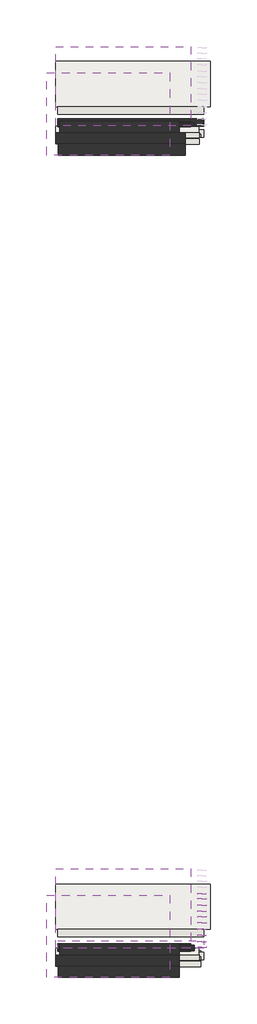
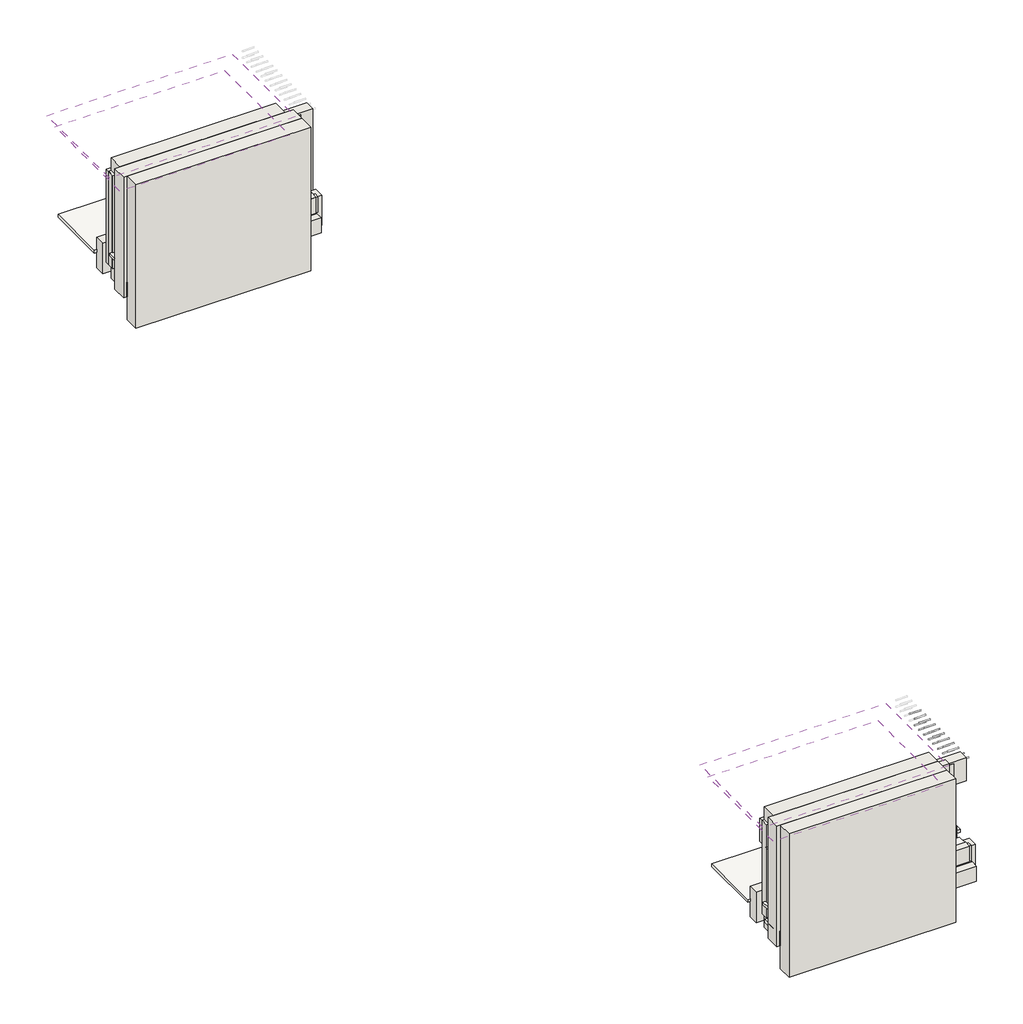
# One storey, part 1 of 2: 24 walls, 19 pipe segments, 9 coverings.
"""IFC4 building model written with IfcOpenShell, lengths in millimetres."""

from ifc_helpers import new_model, si_unit, point, frame, frame_2d, origin, place, context, project, spatial, polyline, circle_curve, trimmed, segment, composite_curve, outline, extrude, element, save

model = new_model("IFC4")

# Units and contexts
model_context = context("Model", 3, world=origin())
ifc_project = project(units=[si_unit("LENGTHUNIT", "METRE", prefix="MILLI")], contexts=[model_context])

# Site, building, storey
site = spatial("IfcSite", under=ifc_project)
building = spatial("IfcBuilding", under=site)
storey = spatial("IfcBuildingStorey", under=building, Elevation=0.0)

# Coverings
placement = place(None, origin())
element("IfcCovering", 1, at=placement, inside=storey, context=model_context, shape_type="SweptSolid", body=[
    extrude(outline(polyline([(9093.9819706, 3720.404865), (9093.9819706, 1525.2946397), (5793.9819706, 1525.2946397), (5793.9819706, 3720.404865), (9093.9819706, 3720.404865)])), frame((0.0, 0.0, 2740.0), z_axis=(0.0, 0.0, 1.0), x_axis=(1.0, 0.0, 0.0)), (0.0, 0.0, 1.0), 52.0),
])
element("IfcCovering", 2, at=placement, inside=storey, context=model_context, shape_type="SweptSolid", body=[
    extrude(outline(polyline([(10173.9819706, 4029.8724528), (10173.9819706, 2817.8772682), (6043.0924071, 2817.8772682), (6043.0924071, 4029.8724528), (10173.9819706, 4029.8724528)])), frame((0.0, 0.0, 600.0), z_axis=(0.0, 0.0, 1.0), x_axis=(1.0, 0.0, 0.0)), (0.0, 0.0, 1.0), 57.0),
])
element("IfcCovering", 3, at=placement, inside=storey, context=model_context, shape_type="SweptSolid", body=[
    extrude(outline(polyline([(9653.9819706, 4427.8580506), (9653.9819706, 2302.936154), (6043.0924071, 2302.936154), (6043.0924071, 4427.8580506), (9653.9819706, 4427.8580506)])), frame((0.0, 0.0, 2450.4380787), z_axis=(0.0, 0.0, 1.0), x_axis=(1.0, 0.0, 0.0)), (0.0, 0.0, 1.0), 57.0),
])
element("IfcCovering", 4, at=placement, inside=storey, context=model_context, shape_type="SweptSolid", body=[
    extrude(outline(polyline([(9863.9819706, 2301.0376873), (9863.9819706, 2130.404865), (6043.0924071, 2130.404865), (6043.0924071, 2301.0376873), (9863.9819706, 2301.0376873)])), frame((0.0, 0.0, 855.0), z_axis=(0.0, 0.0, 1.0), x_axis=(1.0, 0.0, 0.0)), (0.0, 0.0, 1.0), 57.0),
])
element("IfcCovering", 5, at=placement, inside=storey, context=model_context, shape_type="SweptSolid", body=[
    extrude(outline(polyline([(10173.9819706, -17975.2217663), (10173.9819706, -19187.2169509), (6043.0924071, -19187.2169509), (6043.0924071, -17975.2217663), (10173.9819706, -17975.2217663)])), frame((0.0, 0.0, 595.0), z_axis=(0.0, 0.0, 1.0), x_axis=(1.0, 0.0, 0.0)), (0.0, 0.0, 1.0), 57.0),
])
element("IfcCovering", 6, at=placement, inside=storey, context=model_context, shape_type="SweptSolid", body=[
    extrude(outline(polyline([(9913.9819706, -19754.264991), (9913.9819706, -20049.264991), (6043.0924071, -20049.264991), (6043.0924071, -19754.264991), (9913.9819706, -19754.264991)])), frame((0.0, 0.0, 532.674134), z_axis=(0.0, 0.0, 1.0), x_axis=(1.0, 0.0, 0.0)), (0.0, 0.0, 1.0), 57.0),
])
element("IfcCovering", 7, at=placement, inside=storey, context=model_context, shape_type="SweptSolid", body=[
    extrude(outline(polyline([(9863.9819706, -19699.595135), (9863.9819706, -19869.595135), (6043.0924071, -19869.595135), (6043.0924071, -19699.595135), (9863.9819706, -19699.595135)])), frame((0.0, 0.0, 855.0), z_axis=(0.0, 0.0, 1.0), x_axis=(1.0, 0.0, 0.0)), (0.0, 0.0, 1.0), 57.0),
])
element("IfcCovering", 8, at=placement, inside=storey, context=model_context, shape_type="SweptSolid", body=[
    extrude(outline(polyline([(9093.9819706, -18276.8437339), (9093.9819706, -20474.7053603), (5793.9819706, -20474.7053603), (5793.9819706, -18276.8437339), (9093.9819706, -18276.8437339)])), frame((0.0, 0.0, 2715.0), z_axis=(0.0, 0.0, 1.0), x_axis=(1.0, 0.0, 0.0)), (0.0, 0.0, 1.0), 52.0),
])
element("IfcCovering", 9, at=placement, inside=storey, context=model_context, shape_type="SweptSolid", body=[
    extrude(outline(polyline([(9653.9819706, -17573.0223978), (9653.9819706, -19697.9442943), (6043.0924071, -19697.9442943), (6043.0924071, -17573.0223978), (9653.9819706, -17573.0223978)])), frame((0.0, 0.0, 2445.0), z_axis=(0.0, 0.0, 1.0), x_axis=(1.0, 0.0, 0.0)), (0.0, 0.0, 1.0), 57.0),
])

# Pipe segments
element("IfcPipeSegment", 10, at=placement, inside=storey, context=model_context, shape_type="SweptSolid", body=[
    extrude(outline(composite_curve([segment(trimmed(circle_curve(frame_2d((-19339.7053603, 2456.6685523)), 13.335), [point((-19326.3703603, 2456.6685523))], [point((-19339.7053603, 2443.3335523))], False, "CARTESIAN"), True, "CONTINUOUS"), segment(trimmed(circle_curve(frame_2d((-19339.7053603, 2456.6685523)), 13.335), [point((-19339.7053603, 2443.3335523))], [point((-19353.0403603, 2456.6685523))], False, "CARTESIAN"), True, "CONTINUOUS"), segment(trimmed(circle_curve(frame_2d((-19339.7053603, 2456.6685523)), 13.335), [point((-19353.0403603, 2456.6685523))], [point((-19339.7053603, 2470.0035523))], False, "CARTESIAN"), True, "CONTINUOUS"), segment(trimmed(circle_curve(frame_2d((-19339.7053603, 2456.6685523)), 13.335), [point((-19339.7053603, 2470.0035523))], [point((-19326.3703603, 2456.6685523))], False, "CARTESIAN"), True, "CONTINUOUS")], self_intersect=False)), frame((9841.4301299, 0.0, 0.0), z_axis=(1.0, 0.0, 0.0), x_axis=(0.0, 1.0, 0.0)), (0.0, 0.0, 1.0), 220.0),
])
element("IfcPipeSegment", 11, at=placement, inside=storey, context=model_context, shape_type="SweptSolid", body=[
    extrude(outline(composite_curve([segment(trimmed(circle_curve(frame_2d((-19179.7053603, 2456.6685523)), 13.335), [point((-19166.3703603, 2456.6685523))], [point((-19179.7053603, 2443.3335523))], False, "CARTESIAN"), True, "CONTINUOUS"), segment(trimmed(circle_curve(frame_2d((-19179.7053603, 2456.6685523)), 13.335), [point((-19179.7053603, 2443.3335523))], [point((-19193.0403603, 2456.6685523))], False, "CARTESIAN"), True, "CONTINUOUS"), segment(trimmed(circle_curve(frame_2d((-19179.7053603, 2456.6685523)), 13.335), [point((-19193.0403603, 2456.6685523))], [point((-19179.7053603, 2470.0035523))], False, "CARTESIAN"), True, "CONTINUOUS"), segment(trimmed(circle_curve(frame_2d((-19179.7053603, 2456.6685523)), 13.335), [point((-19179.7053603, 2470.0035523))], [point((-19166.3703603, 2456.6685523))], False, "CARTESIAN"), True, "CONTINUOUS")], self_intersect=False)), frame((9841.4301299, 0.0, 0.0), z_axis=(1.0, 0.0, 0.0), x_axis=(0.0, 1.0, 0.0)), (0.0, 0.0, 1.0), 220.0),
])
element("IfcPipeSegment", 12, at=placement, inside=storey, context=model_context, shape_type="SweptSolid", body=[
    extrude(outline(composite_curve([segment(trimmed(circle_curve(frame_2d((-19014.7053603, 2456.6685523)), 13.335), [point((-19001.3703603, 2456.6685523))], [point((-19014.7053603, 2443.3335523))], False, "CARTESIAN"), True, "CONTINUOUS"), segment(trimmed(circle_curve(frame_2d((-19014.7053603, 2456.6685523)), 13.335), [point((-19014.7053603, 2443.3335523))], [point((-19028.0403603, 2456.6685523))], False, "CARTESIAN"), True, "CONTINUOUS"), segment(trimmed(circle_curve(frame_2d((-19014.7053603, 2456.6685523)), 13.335), [point((-19028.0403603, 2456.6685523))], [point((-19014.7053603, 2470.0035523))], False, "CARTESIAN"), True, "CONTINUOUS"), segment(trimmed(circle_curve(frame_2d((-19014.7053603, 2456.6685523)), 13.335), [point((-19014.7053603, 2470.0035523))], [point((-19001.3703603, 2456.6685523))], False, "CARTESIAN"), True, "CONTINUOUS")], self_intersect=False)), frame((9841.4301299, 0.0, 0.0), z_axis=(1.0, 0.0, 0.0), x_axis=(0.0, 1.0, 0.0)), (0.0, 0.0, 1.0), 220.0),
])
element("IfcPipeSegment", 13, at=placement, inside=storey, context=model_context, shape_type="SweptSolid", body=[
    extrude(outline(composite_curve([segment(trimmed(circle_curve(frame_2d((-18849.7053603, 2456.6685523)), 13.335), [point((-18836.3703603, 2456.6685523))], [point((-18849.7053603, 2443.3335523))], False, "CARTESIAN"), True, "CONTINUOUS"), segment(trimmed(circle_curve(frame_2d((-18849.7053603, 2456.6685523)), 13.335), [point((-18849.7053603, 2443.3335523))], [point((-18863.0403603, 2456.6685523))], False, "CARTESIAN"), True, "CONTINUOUS"), segment(trimmed(circle_curve(frame_2d((-18849.7053603, 2456.6685523)), 13.335), [point((-18863.0403603, 2456.6685523))], [point((-18849.7053603, 2470.0035523))], False, "CARTESIAN"), True, "CONTINUOUS"), segment(trimmed(circle_curve(frame_2d((-18849.7053603, 2456.6685523)), 13.335), [point((-18849.7053603, 2470.0035523))], [point((-18836.3703603, 2456.6685523))], False, "CARTESIAN"), True, "CONTINUOUS")], self_intersect=False)), frame((9841.4301299, 0.0, 0.0), z_axis=(1.0, 0.0, 0.0), x_axis=(0.0, 1.0, 0.0)), (0.0, 0.0, 1.0), 220.0),
])
element("IfcPipeSegment", 14, at=placement, inside=storey, context=model_context, shape_type="SweptSolid", body=[
    extrude(outline(composite_curve([segment(trimmed(circle_curve(frame_2d((-18704.7053603, 2456.6685523)), 13.335), [point((-18691.3703603, 2456.6685523))], [point((-18704.7053603, 2443.3335523))], False, "CARTESIAN"), True, "CONTINUOUS"), segment(trimmed(circle_curve(frame_2d((-18704.7053603, 2456.6685523)), 13.335), [point((-18704.7053603, 2443.3335523))], [point((-18718.0403603, 2456.6685523))], False, "CARTESIAN"), True, "CONTINUOUS"), segment(trimmed(circle_curve(frame_2d((-18704.7053603, 2456.6685523)), 13.335), [point((-18718.0403603, 2456.6685523))], [point((-18704.7053603, 2470.0035523))], False, "CARTESIAN"), True, "CONTINUOUS"), segment(trimmed(circle_curve(frame_2d((-18704.7053603, 2456.6685523)), 13.335), [point((-18704.7053603, 2470.0035523))], [point((-18691.3703603, 2456.6685523))], False, "CARTESIAN"), True, "CONTINUOUS")], self_intersect=False)), frame((9841.4301299, 0.0, 0.0), z_axis=(1.0, 0.0, 0.0), x_axis=(0.0, 1.0, 0.0)), (0.0, 0.0, 1.0), 220.0),
])
element("IfcPipeSegment", 15, at=placement, inside=storey, context=model_context, shape_type="SweptSolid", body=[
    extrude(outline(composite_curve([segment(trimmed(circle_curve(frame_2d((-18539.7053603, 2456.6685523)), 13.335), [point((-18526.3703603, 2456.6685523))], [point((-18539.7053603, 2443.3335523))], False, "CARTESIAN"), True, "CONTINUOUS"), segment(trimmed(circle_curve(frame_2d((-18539.7053603, 2456.6685523)), 13.335), [point((-18539.7053603, 2443.3335523))], [point((-18553.0403603, 2456.6685523))], False, "CARTESIAN"), True, "CONTINUOUS"), segment(trimmed(circle_curve(frame_2d((-18539.7053603, 2456.6685523)), 13.335), [point((-18553.0403603, 2456.6685523))], [point((-18539.7053603, 2470.0035523))], False, "CARTESIAN"), True, "CONTINUOUS"), segment(trimmed(circle_curve(frame_2d((-18539.7053603, 2456.6685523)), 13.335), [point((-18539.7053603, 2470.0035523))], [point((-18526.3703603, 2456.6685523))], False, "CARTESIAN"), True, "CONTINUOUS")], self_intersect=False)), frame((9841.4301299, 0.0, 0.0), z_axis=(1.0, 0.0, 0.0), x_axis=(0.0, 1.0, 0.0)), (0.0, 0.0, 1.0), 220.0),
])
element("IfcPipeSegment", 16, at=placement, inside=storey, context=model_context, shape_type="SweptSolid", body=[
    extrude(outline(composite_curve([segment(trimmed(circle_curve(frame_2d((-18374.7053603, 2456.6685523)), 13.335), [point((-18361.3703603, 2456.6685523))], [point((-18374.7053603, 2443.3335523))], False, "CARTESIAN"), True, "CONTINUOUS"), segment(trimmed(circle_curve(frame_2d((-18374.7053603, 2456.6685523)), 13.335), [point((-18374.7053603, 2443.3335523))], [point((-18388.0403603, 2456.6685523))], False, "CARTESIAN"), True, "CONTINUOUS"), segment(trimmed(circle_curve(frame_2d((-18374.7053603, 2456.6685523)), 13.335), [point((-18388.0403603, 2456.6685523))], [point((-18374.7053603, 2470.0035523))], False, "CARTESIAN"), True, "CONTINUOUS"), segment(trimmed(circle_curve(frame_2d((-18374.7053603, 2456.6685523)), 13.335), [point((-18374.7053603, 2470.0035523))], [point((-18361.3703603, 2456.6685523))], False, "CARTESIAN"), True, "CONTINUOUS")], self_intersect=False)), frame((9841.4301299, 0.0, 0.0), z_axis=(1.0, 0.0, 0.0), x_axis=(0.0, 1.0, 0.0)), (0.0, 0.0, 1.0), 220.0),
])
element("IfcPipeSegment", 17, at=placement, inside=storey, context=model_context, shape_type="SweptSolid", body=[
    extrude(outline(composite_curve([segment(trimmed(circle_curve(frame_2d((-18229.7053603, 2456.6685523)), 13.335), [point((-18216.3703603, 2456.6685523))], [point((-18229.7053603, 2443.3335523))], False, "CARTESIAN"), True, "CONTINUOUS"), segment(trimmed(circle_curve(frame_2d((-18229.7053603, 2456.6685523)), 13.335), [point((-18229.7053603, 2443.3335523))], [point((-18243.0403603, 2456.6685523))], False, "CARTESIAN"), True, "CONTINUOUS"), segment(trimmed(circle_curve(frame_2d((-18229.7053603, 2456.6685523)), 13.335), [point((-18243.0403603, 2456.6685523))], [point((-18229.7053603, 2470.0035523))], False, "CARTESIAN"), True, "CONTINUOUS"), segment(trimmed(circle_curve(frame_2d((-18229.7053603, 2456.6685523)), 13.335), [point((-18229.7053603, 2470.0035523))], [point((-18216.3703603, 2456.6685523))], False, "CARTESIAN"), True, "CONTINUOUS")], self_intersect=False)), frame((9841.4301299, 0.0, 0.0), z_axis=(1.0, 0.0, 0.0), x_axis=(0.0, 1.0, 0.0)), (0.0, 0.0, 1.0), 220.0),
])
element("IfcPipeSegment", 18, at=placement, inside=storey, context=model_context, shape_type="SweptSolid", body=[
    extrude(outline(composite_curve([segment(trimmed(circle_curve(frame_2d((-18064.7053603, 2456.6685523)), 13.335), [point((-18051.3703603, 2456.6685523))], [point((-18064.7053603, 2443.3335523))], False, "CARTESIAN"), True, "CONTINUOUS"), segment(trimmed(circle_curve(frame_2d((-18064.7053603, 2456.6685523)), 13.335), [point((-18064.7053603, 2443.3335523))], [point((-18078.0403603, 2456.6685523))], False, "CARTESIAN"), True, "CONTINUOUS"), segment(trimmed(circle_curve(frame_2d((-18064.7053603, 2456.6685523)), 13.335), [point((-18078.0403603, 2456.6685523))], [point((-18064.7053603, 2470.0035523))], False, "CARTESIAN"), True, "CONTINUOUS"), segment(trimmed(circle_curve(frame_2d((-18064.7053603, 2456.6685523)), 13.335), [point((-18064.7053603, 2470.0035523))], [point((-18051.3703603, 2456.6685523))], False, "CARTESIAN"), True, "CONTINUOUS")], self_intersect=False)), frame((9841.4301299, 0.0, 0.0), z_axis=(1.0, 0.0, 0.0), x_axis=(0.0, 1.0, 0.0)), (0.0, 0.0, 1.0), 220.0),
])
element("IfcPipeSegment", 19, at=placement, inside=storey, context=model_context, shape_type="SweptSolid", body=[
    extrude(outline(composite_curve([segment(trimmed(circle_curve(frame_2d((-19339.7053603, 2316.6685523)), 13.335), [point((-19326.3703603, 2316.6685523))], [point((-19339.7053603, 2303.3335523))], False, "CARTESIAN"), True, "CONTINUOUS"), segment(trimmed(circle_curve(frame_2d((-19339.7053603, 2316.6685523)), 13.335), [point((-19339.7053603, 2303.3335523))], [point((-19353.0403603, 2316.6685523))], False, "CARTESIAN"), True, "CONTINUOUS"), segment(trimmed(circle_curve(frame_2d((-19339.7053603, 2316.6685523)), 13.335), [point((-19353.0403603, 2316.6685523))], [point((-19339.7053603, 2330.0035523))], False, "CARTESIAN"), True, "CONTINUOUS"), segment(trimmed(circle_curve(frame_2d((-19339.7053603, 2316.6685523)), 13.335), [point((-19339.7053603, 2330.0035523))], [point((-19326.3703603, 2316.6685523))], False, "CARTESIAN"), True, "CONTINUOUS")], self_intersect=False)), frame((9841.4301299, 0.0, 0.0), z_axis=(1.0, 0.0, 0.0), x_axis=(0.0, 1.0, 0.0)), (0.0, 0.0, 1.0), 220.0),
])
element("IfcPipeSegment", 20, at=placement, inside=storey, context=model_context, shape_type="SweptSolid", body=[
    extrude(outline(composite_curve([segment(trimmed(circle_curve(frame_2d((-19179.7053603, 2316.6685523)), 13.335), [point((-19166.3703603, 2316.6685523))], [point((-19179.7053603, 2303.3335523))], False, "CARTESIAN"), True, "CONTINUOUS"), segment(trimmed(circle_curve(frame_2d((-19179.7053603, 2316.6685523)), 13.335), [point((-19179.7053603, 2303.3335523))], [point((-19193.0403603, 2316.6685523))], False, "CARTESIAN"), True, "CONTINUOUS"), segment(trimmed(circle_curve(frame_2d((-19179.7053603, 2316.6685523)), 13.335), [point((-19193.0403603, 2316.6685523))], [point((-19179.7053603, 2330.0035523))], False, "CARTESIAN"), True, "CONTINUOUS"), segment(trimmed(circle_curve(frame_2d((-19179.7053603, 2316.6685523)), 13.335), [point((-19179.7053603, 2330.0035523))], [point((-19166.3703603, 2316.6685523))], False, "CARTESIAN"), True, "CONTINUOUS")], self_intersect=False)), frame((9841.4301299, 0.0, 0.0), z_axis=(1.0, 0.0, 0.0), x_axis=(0.0, 1.0, 0.0)), (0.0, 0.0, 1.0), 220.0),
])
element("IfcPipeSegment", 21, at=placement, inside=storey, context=model_context, shape_type="SweptSolid", body=[
    extrude(outline(composite_curve([segment(trimmed(circle_curve(frame_2d((-19014.7053603, 2316.6685523)), 13.335), [point((-19001.3703603, 2316.6685523))], [point((-19014.7053603, 2303.3335523))], False, "CARTESIAN"), True, "CONTINUOUS"), segment(trimmed(circle_curve(frame_2d((-19014.7053603, 2316.6685523)), 13.335), [point((-19014.7053603, 2303.3335523))], [point((-19028.0403603, 2316.6685523))], False, "CARTESIAN"), True, "CONTINUOUS"), segment(trimmed(circle_curve(frame_2d((-19014.7053603, 2316.6685523)), 13.335), [point((-19028.0403603, 2316.6685523))], [point((-19014.7053603, 2330.0035523))], False, "CARTESIAN"), True, "CONTINUOUS"), segment(trimmed(circle_curve(frame_2d((-19014.7053603, 2316.6685523)), 13.335), [point((-19014.7053603, 2330.0035523))], [point((-19001.3703603, 2316.6685523))], False, "CARTESIAN"), True, "CONTINUOUS")], self_intersect=False)), frame((9841.4301299, 0.0, 0.0), z_axis=(1.0, 0.0, 0.0), x_axis=(0.0, 1.0, 0.0)), (0.0, 0.0, 1.0), 220.0),
])
element("IfcPipeSegment", 22, at=placement, inside=storey, context=model_context, shape_type="SweptSolid", body=[
    extrude(outline(composite_curve([segment(trimmed(circle_curve(frame_2d((-18849.7053603, 2316.6685523)), 13.335), [point((-18836.3703603, 2316.6685523))], [point((-18849.7053603, 2303.3335523))], False, "CARTESIAN"), True, "CONTINUOUS"), segment(trimmed(circle_curve(frame_2d((-18849.7053603, 2316.6685523)), 13.335), [point((-18849.7053603, 2303.3335523))], [point((-18863.0403603, 2316.6685523))], False, "CARTESIAN"), True, "CONTINUOUS"), segment(trimmed(circle_curve(frame_2d((-18849.7053603, 2316.6685523)), 13.335), [point((-18863.0403603, 2316.6685523))], [point((-18849.7053603, 2330.0035523))], False, "CARTESIAN"), True, "CONTINUOUS"), segment(trimmed(circle_curve(frame_2d((-18849.7053603, 2316.6685523)), 13.335), [point((-18849.7053603, 2330.0035523))], [point((-18836.3703603, 2316.6685523))], False, "CARTESIAN"), True, "CONTINUOUS")], self_intersect=False)), frame((9841.4301299, 0.0, 0.0), z_axis=(1.0, 0.0, 0.0), x_axis=(0.0, 1.0, 0.0)), (0.0, 0.0, 1.0), 220.0),
])
element("IfcPipeSegment", 23, at=placement, inside=storey, context=model_context, shape_type="SweptSolid", body=[
    extrude(outline(composite_curve([segment(trimmed(circle_curve(frame_2d((-18704.7053603, 2316.6685523)), 13.335), [point((-18691.3703603, 2316.6685523))], [point((-18704.7053603, 2303.3335523))], False, "CARTESIAN"), True, "CONTINUOUS"), segment(trimmed(circle_curve(frame_2d((-18704.7053603, 2316.6685523)), 13.335), [point((-18704.7053603, 2303.3335523))], [point((-18718.0403603, 2316.6685523))], False, "CARTESIAN"), True, "CONTINUOUS"), segment(trimmed(circle_curve(frame_2d((-18704.7053603, 2316.6685523)), 13.335), [point((-18718.0403603, 2316.6685523))], [point((-18704.7053603, 2330.0035523))], False, "CARTESIAN"), True, "CONTINUOUS"), segment(trimmed(circle_curve(frame_2d((-18704.7053603, 2316.6685523)), 13.335), [point((-18704.7053603, 2330.0035523))], [point((-18691.3703603, 2316.6685523))], False, "CARTESIAN"), True, "CONTINUOUS")], self_intersect=False)), frame((9841.4301299, 0.0, 0.0), z_axis=(1.0, 0.0, 0.0), x_axis=(0.0, 1.0, 0.0)), (0.0, 0.0, 1.0), 220.0),
])
element("IfcPipeSegment", 24, at=placement, inside=storey, context=model_context, shape_type="SweptSolid", body=[
    extrude(outline(composite_curve([segment(trimmed(circle_curve(frame_2d((-18539.7053603, 2316.6685523)), 13.335), [point((-18526.3703603, 2316.6685523))], [point((-18539.7053603, 2303.3335523))], False, "CARTESIAN"), True, "CONTINUOUS"), segment(trimmed(circle_curve(frame_2d((-18539.7053603, 2316.6685523)), 13.335), [point((-18539.7053603, 2303.3335523))], [point((-18553.0403603, 2316.6685523))], False, "CARTESIAN"), True, "CONTINUOUS"), segment(trimmed(circle_curve(frame_2d((-18539.7053603, 2316.6685523)), 13.335), [point((-18553.0403603, 2316.6685523))], [point((-18539.7053603, 2330.0035523))], False, "CARTESIAN"), True, "CONTINUOUS"), segment(trimmed(circle_curve(frame_2d((-18539.7053603, 2316.6685523)), 13.335), [point((-18539.7053603, 2330.0035523))], [point((-18526.3703603, 2316.6685523))], False, "CARTESIAN"), True, "CONTINUOUS")], self_intersect=False)), frame((9841.4301299, 0.0, 0.0), z_axis=(1.0, 0.0, 0.0), x_axis=(0.0, 1.0, 0.0)), (0.0, 0.0, 1.0), 220.0),
])
element("IfcPipeSegment", 25, at=placement, inside=storey, context=model_context, shape_type="SweptSolid", body=[
    extrude(outline(composite_curve([segment(trimmed(circle_curve(frame_2d((-18374.7053603, 2316.6685523)), 13.335), [point((-18361.3703603, 2316.6685523))], [point((-18374.7053603, 2303.3335523))], False, "CARTESIAN"), True, "CONTINUOUS"), segment(trimmed(circle_curve(frame_2d((-18374.7053603, 2316.6685523)), 13.335), [point((-18374.7053603, 2303.3335523))], [point((-18388.0403603, 2316.6685523))], False, "CARTESIAN"), True, "CONTINUOUS"), segment(trimmed(circle_curve(frame_2d((-18374.7053603, 2316.6685523)), 13.335), [point((-18388.0403603, 2316.6685523))], [point((-18374.7053603, 2330.0035523))], False, "CARTESIAN"), True, "CONTINUOUS"), segment(trimmed(circle_curve(frame_2d((-18374.7053603, 2316.6685523)), 13.335), [point((-18374.7053603, 2330.0035523))], [point((-18361.3703603, 2316.6685523))], False, "CARTESIAN"), True, "CONTINUOUS")], self_intersect=False)), frame((9841.4301299, 0.0, 0.0), z_axis=(1.0, 0.0, 0.0), x_axis=(0.0, 1.0, 0.0)), (0.0, 0.0, 1.0), 220.0),
])
element("IfcPipeSegment", 26, at=placement, inside=storey, context=model_context, shape_type="SweptSolid", body=[
    extrude(outline(composite_curve([segment(trimmed(circle_curve(frame_2d((-18229.7053603, 2316.6685523)), 13.335), [point((-18216.3703603, 2316.6685523))], [point((-18229.7053603, 2303.3335523))], False, "CARTESIAN"), True, "CONTINUOUS"), segment(trimmed(circle_curve(frame_2d((-18229.7053603, 2316.6685523)), 13.335), [point((-18229.7053603, 2303.3335523))], [point((-18243.0403603, 2316.6685523))], False, "CARTESIAN"), True, "CONTINUOUS"), segment(trimmed(circle_curve(frame_2d((-18229.7053603, 2316.6685523)), 13.335), [point((-18243.0403603, 2316.6685523))], [point((-18229.7053603, 2330.0035523))], False, "CARTESIAN"), True, "CONTINUOUS"), segment(trimmed(circle_curve(frame_2d((-18229.7053603, 2316.6685523)), 13.335), [point((-18229.7053603, 2330.0035523))], [point((-18216.3703603, 2316.6685523))], False, "CARTESIAN"), True, "CONTINUOUS")], self_intersect=False)), frame((9841.4301299, 0.0, 0.0), z_axis=(1.0, 0.0, 0.0), x_axis=(0.0, 1.0, 0.0)), (0.0, 0.0, 1.0), 220.0),
])
element("IfcPipeSegment", 27, at=placement, inside=storey, context=model_context, shape_type="SweptSolid", body=[
    extrude(outline(composite_curve([segment(trimmed(circle_curve(frame_2d((-19669.7053603, 2460.0306645)), 13.335), [point((-19656.3703603, 2460.0306645))], [point((-19669.7053603, 2446.6956645))], False, "CARTESIAN"), True, "CONTINUOUS"), segment(trimmed(circle_curve(frame_2d((-19669.7053603, 2460.0306645)), 13.335), [point((-19669.7053603, 2446.6956645))], [point((-19683.0403603, 2460.0306645))], False, "CARTESIAN"), True, "CONTINUOUS"), segment(trimmed(circle_curve(frame_2d((-19669.7053603, 2460.0306645)), 13.335), [point((-19683.0403603, 2460.0306645))], [point((-19669.7053603, 2473.3656645))], False, "CARTESIAN"), True, "CONTINUOUS"), segment(trimmed(circle_curve(frame_2d((-19669.7053603, 2460.0306645)), 13.335), [point((-19669.7053603, 2473.3656645))], [point((-19656.3703603, 2460.0306645))], False, "CARTESIAN"), True, "CONTINUOUS")], self_intersect=False)), frame((9841.4301299, 0.0, 0.0), z_axis=(1.0, 0.0, 0.0), x_axis=(0.0, 1.0, 0.0)), (0.0, 0.0, 1.0), 220.0),
])
element("IfcPipeSegment", 28, at=placement, inside=storey, context=model_context, shape_type="SweptSolid", body=[
    extrude(outline(composite_curve([segment(trimmed(circle_curve(frame_2d((-19521.260135, 2456.6685523)), 13.335), [point((-19507.925135, 2456.6685523))], [point((-19521.260135, 2443.3335523))], False, "CARTESIAN"), True, "CONTINUOUS"), segment(trimmed(circle_curve(frame_2d((-19521.260135, 2456.6685523)), 13.335), [point((-19521.260135, 2443.3335523))], [point((-19534.595135, 2456.6685523))], False, "CARTESIAN"), True, "CONTINUOUS"), segment(trimmed(circle_curve(frame_2d((-19521.260135, 2456.6685523)), 13.335), [point((-19534.595135, 2456.6685523))], [point((-19521.260135, 2470.0035523))], False, "CARTESIAN"), True, "CONTINUOUS"), segment(trimmed(circle_curve(frame_2d((-19521.260135, 2456.6685523)), 13.335), [point((-19521.260135, 2470.0035523))], [point((-19507.925135, 2456.6685523))], False, "CARTESIAN"), True, "CONTINUOUS")], self_intersect=False)), frame((9841.4301299, 0.0, 0.0), z_axis=(1.0, 0.0, 0.0), x_axis=(0.0, 1.0, 0.0)), (0.0, 0.0, 1.0), 220.0),
])

# Walls
element("IfcWall", 29, at=placement, inside=storey, context=model_context, shape_type="SweptSolid", body=[
    extrude(outline(polyline([(6093.9819706, 2500.404865), (9993.9819706, 2500.404865), (9993.9819706, 2300.404865), (6093.9819706, 2300.404865), (6093.9819706, 2500.404865)])), frame((0.0, 0.0, 580.0), z_axis=(0.0, 0.0, 1.0), x_axis=(1.0, 0.0, 0.0)), (0.0, 0.0, 1.0), 1915.0),
])
element("IfcWall", 30, at=placement, inside=storey, context=model_context, shape_type="SweptSolid", body=[
    extrude(outline(polyline([(6093.9819706, 2200.404865), (9993.9819706, 2200.404865), (9993.9819706, 2000.404865), (6093.9819706, 2000.404865), (6093.9819706, 2200.404865)])), frame((0.0, 0.0, 280.0), z_axis=(0.0, 0.0, 1.0), x_axis=(1.0, 0.0, 0.0)), (0.0, 0.0, 1.0), 620.0),
])
element("IfcWall", 31, at=placement, inside=storey, context=model_context, shape_type="SweptSolid", body=[
    extrude(outline(polyline([(6093.9819706, 2820.404865), (9993.9819706, 2820.404865), (9993.9819706, 2620.404865), (6093.9819706, 2620.404865), (6093.9819706, 2820.404865)])), frame((0.0, 0.0, 280.0), z_axis=(0.0, 0.0, 1.0), x_axis=(1.0, 0.0, 0.0)), (0.0, 0.0, 1.0), 620.0),
])
element("IfcWall", 32, at=placement, inside=storey, context=model_context, shape_type="SweptSolid", body=[
    extrude(outline(polyline([(6105.8207178, 1825.2946397), (9505.8207178, 1825.2946397), (9505.8207178, 1525.2946397), (6105.8207178, 1525.2946397), (6105.8207178, 1825.2946397)])), frame((0.0, 0.0, -189.3280317), z_axis=(0.0, 0.0, 1.0), x_axis=(1.0, 0.0, 0.0)), (0.0, 0.0, 1.0), 2949.3280317),
])
element("IfcWall", 33, at=placement, inside=storey, context=model_context, shape_type="SweptSolid", body=[
    extrude(outline(polyline([(6041.185032, 2125.2946397), (9505.8207178, 2125.2946397), (9505.8207178, 1825.2946397), (6041.185032, 1825.2946397), (6041.185032, 2125.2946397)])), frame((0.0, 0.0, 280.0), z_axis=(0.0, 0.0, 1.0), x_axis=(1.0, 0.0, 0.0)), (0.0, 0.0, 1.0), 2477.7084102),
])
element("IfcWall", 34, at=placement, inside=storey, context=model_context, shape_type="SweptSolid", body=[
    extrude(outline(polyline([(6141.185032, 2425.2946397), (9341.185032, 2425.2946397), (9341.185032, 2125.2946397), (6141.185032, 2125.2946397), (6141.185032, 2425.2946397)])), frame((0.0, 0.0, 280.0), z_axis=(0.0, 0.0, 1.0), x_axis=(1.0, 0.0, 0.0)), (0.0, 0.0, 1.0), 2477.7084102),
])
element("IfcWall", 35, at=placement, inside=storey, context=model_context, shape_type="SweptSolid", body=[
    extrude(outline(polyline([(6141.185032, 2380.404865), (9751.185032, 2380.404865), (9751.185032, 2290.404865), (6141.185032, 2290.404865), (6141.185032, 2380.404865)])), frame((0.0, 0.0, 580.0), z_axis=(0.0, 0.0, 1.0), x_axis=(1.0, 0.0, 0.0)), (0.0, 0.0, 1.0), 1880.0),
])
element("IfcWall", 36, at=placement, inside=storey, context=model_context, shape_type="SweptSolid", body=[
    extrude(outline(polyline([(6093.9819706, 2420.2946397), (9653.9819706, 2420.2946397), (9653.9819706, 2280.2946397), (6093.9819706, 2280.2946397), (6093.9819706, 2420.2946397)])), frame((0.0, 0.0, 580.0), z_axis=(0.0, 0.0, 1.0), x_axis=(1.0, 0.0, 0.0)), (0.0, 0.0, 1.0), 1920.0),
])
element("IfcWall", 37, at=placement, inside=storey, context=model_context, shape_type="SweptSolid", body=[
    extrude(outline(polyline([(6093.9819706, 1955.404865), (9873.9819706, 1955.404865), (9873.9819706, 1815.404865), (6093.9819706, 1815.404865), (6093.9819706, 1955.404865)])), frame((0.0, 0.0, 281.775637), z_axis=(0.0, 0.0, 1.0), x_axis=(1.0, 0.0, 0.0)), (0.0, 0.0, 1.0), 308.224363),
])
element("IfcWall", 38, at=placement, inside=storey, context=model_context, shape_type="SweptSolid", body=[
    extrude(outline(polyline([(6093.9819706, 2130.404865), (9873.9819706, 2130.404865), (9873.9819706, 1990.404865), (6093.9819706, 1990.404865), (6093.9819706, 2130.404865)])), frame((0.0, 0.0, 580.0), z_axis=(0.0, 0.0, 1.0), x_axis=(1.0, 0.0, 0.0)), (0.0, 0.0, 1.0), 330.0),
])
element("IfcWall", 39, at=placement, inside=storey, context=model_context, shape_type="SweptSolid", body=[
    extrude(outline(polyline([(6093.9819706, 2085.404865), (9913.9819706, 2085.404865), (9913.9819706, 1995.404865), (6093.9819706, 1995.404865), (6093.9819706, 2085.404865)])), frame((0.0, 0.0, 580.0), z_axis=(0.0, 0.0, 1.0), x_axis=(1.0, 0.0, 0.0)), (0.0, 0.0, 1.0), 325.0),
])
element("IfcWall", 40, at=placement, inside=storey, context=model_context, shape_type="SweptSolid", body=[
    extrude(outline(polyline([(6093.9819706, -19499.595135), (9993.9819706, -19499.595135), (9993.9819706, -19699.595135), (6093.9819706, -19699.595135), (6093.9819706, -19499.595135)])), frame((0.0, 0.0, 2020.0), z_axis=(0.0, 0.0, 1.0), x_axis=(1.0, 0.0, 0.0)), (0.0, 0.0, 1.0), 475.0),
])
element("IfcWall", 41, at=placement, inside=storey, context=model_context, shape_type="SweptSolid", body=[
    extrude(outline(polyline([(6093.9819706, -19799.595135), (9993.9819706, -19799.595135), (9993.9819706, -19999.595135), (6093.9819706, -19999.595135), (6093.9819706, -19799.595135)])), frame((0.0, 0.0, 280.0), z_axis=(0.0, 0.0, 1.0), x_axis=(1.0, 0.0, 0.0)), (0.0, 0.0, 1.0), 620.0),
])
element("IfcWall", 42, at=placement, inside=storey, context=model_context, shape_type="SweptSolid", body=[
    extrude(outline(polyline([(6093.9819706, -19179.595135), (9993.9819706, -19179.595135), (9993.9819706, -19379.595135), (6093.9819706, -19379.595135), (6093.9819706, -19179.595135)])), frame((0.0, 0.0, 280.0), z_axis=(0.0, 0.0, 1.0), x_axis=(1.0, 0.0, 0.0)), (0.0, 0.0, 1.0), 620.0),
])
element("IfcWall", 43, at=placement, inside=storey, context=model_context, shape_type="SweptSolid", body=[
    extrude(outline(polyline([(6105.8207178, -20174.7053603), (9341.185032, -20174.7053603), (9341.185032, -20474.7053603), (6105.8207178, -20474.7053603), (6105.8207178, -20174.7053603)])), frame((0.0, 0.0, -189.3280317), z_axis=(0.0, 0.0, 1.0), x_axis=(1.0, 0.0, 0.0)), (0.0, 0.0, 1.0), 2949.3280317),
])
element("IfcWall", 44, at=placement, inside=storey, context=model_context, shape_type="SweptSolid", body=[
    extrude(outline(polyline([(6041.185032, -19874.7053603), (9341.185032, -19874.7053603), (9341.185032, -20174.7053603), (6041.185032, -20174.7053603), (6041.185032, -19874.7053603)])), frame((0.0, 0.0, 280.0), z_axis=(0.0, 0.0, 1.0), x_axis=(1.0, 0.0, 0.0)), (0.0, 0.0, 1.0), 2477.7084102),
])
element("IfcWall", 45, at=placement, inside=storey, context=model_context, shape_type="SweptSolid", body=[
    extrude(outline(polyline([(6141.185032, -19574.7053603), (9341.185032, -19574.7053603), (9341.185032, -19874.7053603), (6141.185032, -19874.7053603), (6141.185032, -19574.7053603)])), frame((0.0, 0.0, 280.0), z_axis=(0.0, 0.0, 1.0), x_axis=(1.0, 0.0, 0.0)), (0.0, 0.0, 1.0), 2477.7084102),
])
element("IfcWall", 46, at=placement, inside=storey, context=model_context, shape_type="SweptSolid", body=[
    extrude(outline(polyline([(6141.185032, -19619.595135), (9751.185032, -19619.595135), (9751.185032, -19709.595135), (6141.185032, -19709.595135), (6141.185032, -19619.595135)])), frame((0.0, 0.0, 580.0), z_axis=(0.0, 0.0, 1.0), x_axis=(1.0, 0.0, 0.0)), (0.0, 0.0, 1.0), 1880.0),
])
element("IfcWall", 47, at=placement, inside=storey, context=model_context, shape_type="SweptSolid", body=[
    extrude(outline(polyline([(6093.9819706, -19579.7053603), (9653.9819706, -19579.7053603), (9653.9819706, -19719.7053603), (6093.9819706, -19719.7053603), (6093.9819706, -19579.7053603)])), frame((0.0, 0.0, 580.0), z_axis=(0.0, 0.0, 1.0), x_axis=(1.0, 0.0, 0.0)), (0.0, 0.0, 1.0), 1920.0),
])
element("IfcWall", 48, at=placement, inside=storey, context=model_context, shape_type="SweptSolid", body=[
    extrude(outline(polyline([(6093.9819706, -20044.595135), (9913.9819706, -20044.595135), (9913.9819706, -20184.595135), (6093.9819706, -20184.595135), (6093.9819706, -20044.595135)])), frame((0.0, 0.0, 281.775637), z_axis=(0.0, 0.0, 1.0), x_axis=(1.0, 0.0, 0.0)), (0.0, 0.0, 1.0), 308.224363),
])
element("IfcWall", 49, at=placement, inside=storey, context=model_context, shape_type="SweptSolid", body=[
    extrude(outline(polyline([(6093.9819706, -19869.595135), (9873.9819706, -19869.595135), (9873.9819706, -20009.595135), (6093.9819706, -20009.595135), (6093.9819706, -19869.595135)])), frame((0.0, 0.0, 580.0), z_axis=(0.0, 0.0, 1.0), x_axis=(1.0, 0.0, 0.0)), (0.0, 0.0, 1.0), 330.0),
])
element("IfcWall", 50, at=placement, inside=storey, context=model_context, shape_type="SweptSolid", body=[
    extrude(outline(polyline([(6093.9819706, -19914.595135), (9913.9819706, -19914.595135), (9913.9819706, -20004.595135), (6093.9819706, -20004.595135), (6093.9819706, -19914.595135)])), frame((0.0, 0.0, 580.0), z_axis=(0.0, 0.0, 1.0), x_axis=(1.0, 0.0, 0.0)), (0.0, 0.0, 1.0), 325.0),
])
element("IfcWall", 51, at=placement, inside=storey, context=model_context, shape_type="SweptSolid", body=[
    extrude(outline(polyline([(6141.185032, -19669.7053603), (9751.185032, -19669.7053603), (9751.185032, -19759.7053603), (6141.185032, -19759.7053603), (6141.185032, -19669.7053603)])), frame((0.0, 0.0, 875.2304553), z_axis=(0.0, 0.0, 1.0), x_axis=(1.0, 0.0, 0.0)), (0.0, 0.0, 1.0), 1144.7695447),
])
element("IfcWall", 52, at=placement, inside=storey, context=model_context, shape_type="SweptSolid", body=[
    extrude(outline(polyline([(6093.9819706, -19629.595135), (9653.9819706, -19629.595135), (9653.9819706, -19769.595135), (6093.9819706, -19769.595135), (6093.9819706, -19629.595135)])), frame((0.0, 0.0, 872.3364906), z_axis=(0.0, 0.0, 1.0), x_axis=(1.0, 0.0, 0.0)), (0.0, 0.0, 1.0), 1154.8745253),
])

save(model, "model.ifc")
